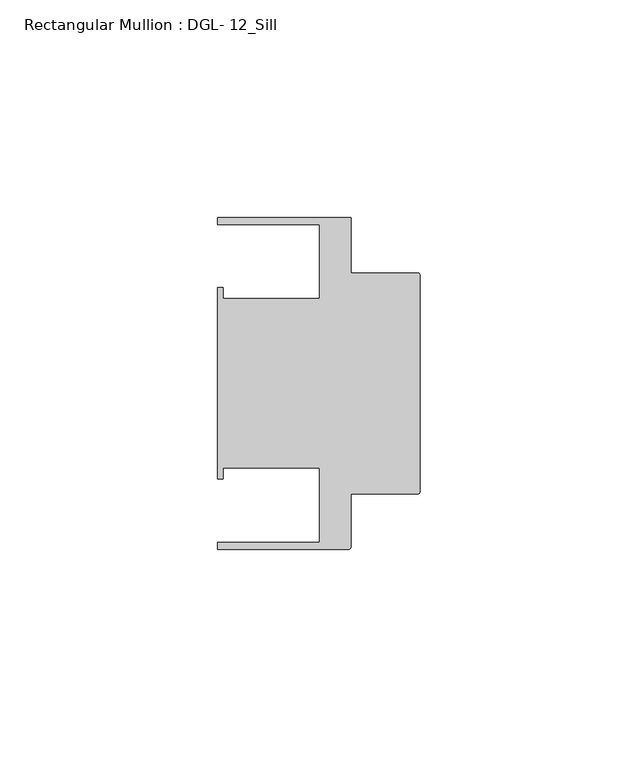
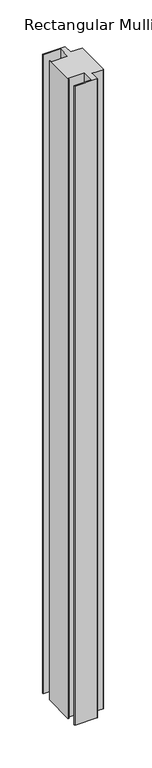
"""IFC4 building model written with IfcOpenShell, lengths in millimetres: member geometry, Rectangular Mullion : DGL- 12_Sill."""

from ifc_helpers import new_model, si_unit, point, frame, frame_2d, origin, place, context, project, spatial, polyline, circle_curve, trimmed, segment, composite_curve, outline, extrude, source, transform, mapped, element, save


def rectangular_mullion_dgl_12_sill_830e3a33(model_context):
    return source(origin(), model_context, "Body", "SweptSolid", [
        extrude(outline(composite_curve([segment(trimmed(circle_curve(frame_2d((-0.5953125, 24.8046875)), 0.5953125), [point((-0.5953125, 25.4))], [point((0.0, 24.8046875))], False, "CARTESIAN"), True, "CONTINUOUS"), segment(polyline([(0.0, 24.8046875), (0.0, -24.8046875)]), True, "CONTINUOUS"), segment(trimmed(circle_curve(frame_2d((-0.5953125, -24.8046875)), 0.5953125), [point((0.0, -24.8046875))], [point((-0.5953125, -25.4))], False, "CARTESIAN"), True, "CONTINUOUS"), segment(polyline([(-0.5953125, -25.4), (-15.8750672, -25.4), (-15.8750672, -37.5047035)]), True, "CONTINUOUS"), segment(trimmed(circle_curve(frame_2d((-16.4703797, -37.5047035)), 0.5953125), [point((-15.8750672, -37.5047035))], [point((-16.4703797, -38.100016))], False, "CARTESIAN"), True, "CONTINUOUS"), segment(polyline([(-16.4703797, -38.100016), (-46.54296, -38.100016), (-46.54296, -36.512516), (-23.1202791, -36.512516), (-23.1202791, -19.4824275), (-45.2865266, -19.4824275), (-45.2865266, -21.9710976), (-46.54296, -21.9710976), (-46.54296, 21.9710976), (-45.2865266, 21.9710976), (-45.2865266, 19.4824275), (-23.1202791, 19.4824275), (-23.1202791, 36.512516), (-46.54296, 36.512516), (-46.54296, 38.0996792), (-15.8750672, 38.0996792), (-15.8750672, 25.4), (-0.5953125, 25.4)]), True, "CONTINUOUS")], self_intersect=False)), frame((0.0, 0.0, -914.4), z_axis=(0.0, 0.0, 1.0), x_axis=(1.0, 0.0, 0.0)), (0.0, 0.0, 1.0), 914.4),
    ])


if __name__ == "__main__":
    model = new_model("IFC4")
    model_context = context("Model", 3, world=origin())
    ifc_project = project(units=[si_unit("LENGTHUNIT", "METRE", prefix="MILLI")], contexts=[model_context])
    site = spatial("IfcSite", under=ifc_project)
    building = spatial("IfcBuilding", under=site)
    placement = place(None, origin())
    rectangular_mullion_dgl_12_sill_shape = rectangular_mullion_dgl_12_sill_830e3a33(model_context)
    element("IfcMember", 1, ObjectType="Rectangular Mullion : DGL- 12_Sill", at=placement, inside=building, context=model_context, shape_type="MappedRepresentation", body=[
        mapped(rectangular_mullion_dgl_12_sill_shape, transform((0.0, 0.0, 0.0), x_axis=(1.0, 0.0, 0.0), y_axis=(0.0, 1.0, 0.0), z_axis=(0.0, 0.0, 1.0))),
    ])
    save(model, "model.ifc")
